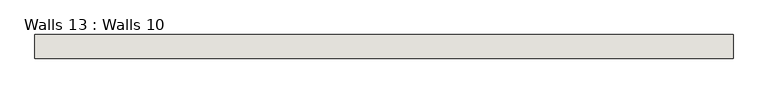
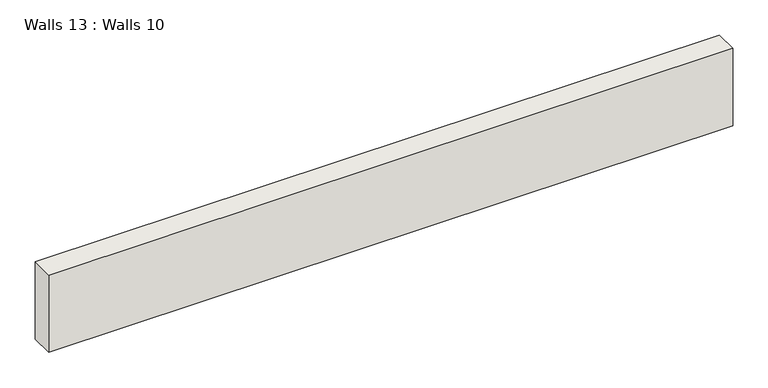
"""IFC4 building model written with IfcOpenShell, lengths in millimetres: wall geometry, Walls 13 : Walls 10."""

from ifc_helpers import new_model, si_unit, frame, origin, place, context, project, spatial, polyline, outline, extrude, source, transform, mapped, element, save


def walls_13_walls_10_c2e5a55e(model_context):
    return source(origin(), model_context, "Body", "SweptSolid", [
        extrude(outline(polyline([(-9350.2683998, 39317.2245636), (-8226.0507307, 39317.2245636), (-8226.0507307, 39279.1245636), (-9350.2683998, 39279.1245636), (-9350.2683998, 39317.2245636)])), frame((0.0, 0.0, -5894.0368257), z_axis=(0.0, 0.0, 1.0), x_axis=(1.0, 0.0, 0.0)), (0.0, 0.0, 1.0), 134.2870045),
    ])


if __name__ == "__main__":
    model = new_model("IFC4")
    model_context = context("Model", 3, world=origin())
    ifc_project = project(units=[si_unit("LENGTHUNIT", "METRE", prefix="MILLI")], contexts=[model_context])
    site = spatial("IfcSite", under=ifc_project)
    building = spatial("IfcBuilding", under=site)
    placement = place(None, origin())
    walls_13_walls_10_shape = walls_13_walls_10_c2e5a55e(model_context)
    element("IfcWall", 1, ObjectType="Walls 13 : Walls 10", at=placement, inside=building, context=model_context, shape_type="MappedRepresentation", body=[
        mapped(walls_13_walls_10_shape, transform((0.0, 0.0, 0.0), x_axis=(1.0, 0.0, 0.0), y_axis=(0.0, 1.0, 0.0), z_axis=(0.0, 0.0, 1.0))),
    ])
    save(model, "model.ifc")
